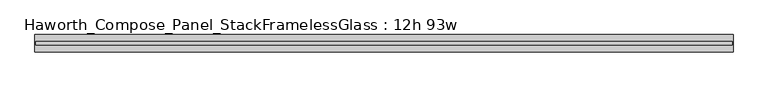
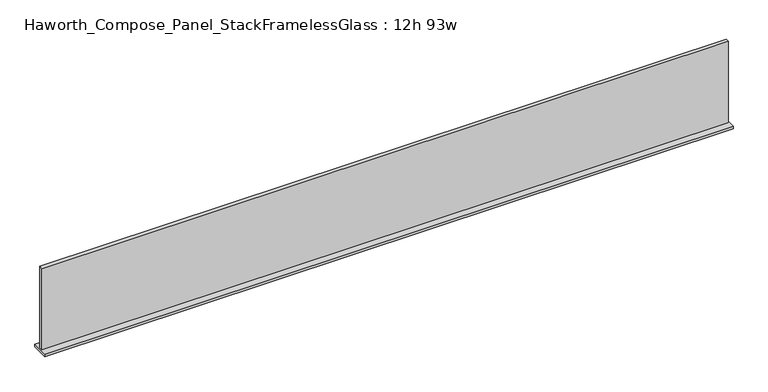
"""IFC4 building model written with IfcOpenShell, lengths in millimetres: furniture geometry, Haworth_Compose_Panel_StackFramelessGlass : 12h 93w."""

from ifc_helpers import new_model, si_unit, frame, origin, place, context, project, spatial, polyline, outline, extrude, source, transform, mapped, element, save


def haworth_compose_panel_stackframelessglass_12h_93w_797f36d0(model_context):
    return source(origin(), model_context, "Body", "SweptSolid", [
        extrude(outline(polyline([(1180.3652902, -27.3093594), (-1175.4847098, -27.3093594), (-1175.4847098, -14.6093594), (1180.3652902, -14.6093594), (1180.3652902, -27.3093594)])), frame((0.0, 0.0, 1279.525), z_axis=(0.0, 0.0, 1.0), x_axis=(1.0, 0.0, 0.0)), (0.0, 0.0, 1.0), 295.275),
        extrude(outline(polyline([(-1178.6597098, -50.3281094), (-1178.6597098, 8.4093906), (1183.5402902, 8.4093906), (1183.5402902, -50.3281094), (-1178.6597098, -50.3281094)])), frame((0.0, 0.0, 1270.0), z_axis=(0.0, 0.0, 1.0), x_axis=(1.0, 0.0, 0.0)), (0.0, 0.0, 1.0), 9.525),
    ])


if __name__ == "__main__":
    model = new_model("IFC4")
    model_context = context("Model", 3, world=origin())
    ifc_project = project(units=[si_unit("LENGTHUNIT", "METRE", prefix="MILLI")], contexts=[model_context])
    site = spatial("IfcSite", under=ifc_project)
    building = spatial("IfcBuilding", under=site)
    placement = place(None, origin())
    haworth_compose_panel_stackframelessglass_12h_93w_shape = haworth_compose_panel_stackframelessglass_12h_93w_797f36d0(model_context)
    element("IfcFurniture", 1, ObjectType="Haworth_Compose_Panel_StackFramelessGlass : 12h 93w", at=placement, inside=building, context=model_context, shape_type="MappedRepresentation", body=[
        mapped(haworth_compose_panel_stackframelessglass_12h_93w_shape, transform((0.0, 0.0, 0.0), x_axis=(1.0, 0.0, 0.0), y_axis=(0.0, 1.0, 0.0), z_axis=(0.0, 0.0, 1.0))),
    ])
    save(model, "model.ifc")
